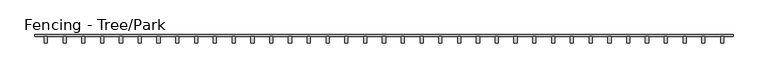
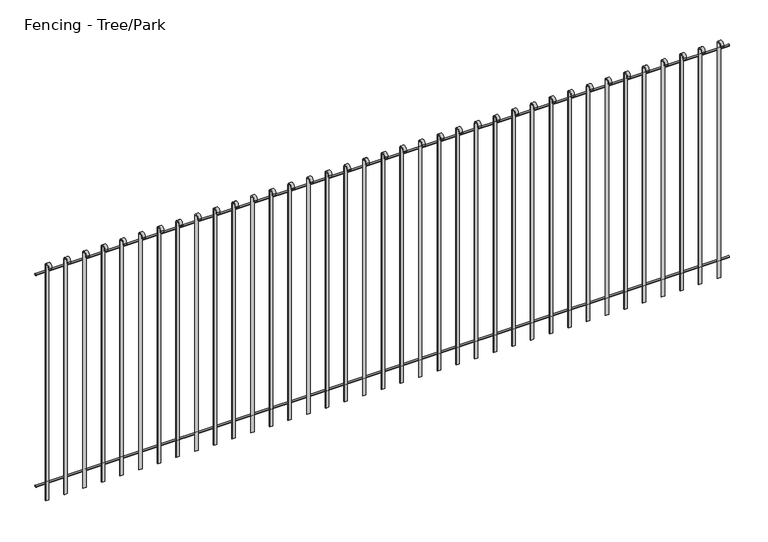
"""IFC4 building model written with IfcOpenShell, lengths in millimetres: railing geometry, Fencing - Tree/Park."""

from ifc_helpers import new_model, si_unit, point, frame, frame_2d, origin, place, context, project, spatial, polyline, circle_curve, trimmed, segment, composite_curve, outline, extrude, source, transform, mapped, element, save


def fencing_tree_park_bd582363(model_context):
    return source(origin(), model_context, "Body", "SweptSolid", [
        extrude(outline(composite_curve([segment(trimmed(circle_curve(frame_2d((-3815.7366721, 1992.5)), 7.5), [point((-3823.2366721, 1992.5))], [point((-3808.2366721, 1992.5))], False, "CARTESIAN"), True, "CONTINUOUS"), segment(trimmed(circle_curve(frame_2d((-3815.7366721, 1992.5)), 7.5), [point((-3808.2366721, 1992.5))], [point((-3823.2366721, 1992.5))], False, "CARTESIAN"), True, "CONTINUOUS")], self_intersect=False)), frame((5143.9077408, 0.0, 0.0), z_axis=(1.0, 0.0, 0.0), x_axis=(0.0, 1.0, 0.0)), (0.0, 0.0, 1.0), 5574.3196625),
        extrude(outline(composite_curve([segment(trimmed(circle_curve(frame_2d((-3815.7366721, 192.5)), 7.5), [point((-3823.2366721, 192.5))], [point((-3808.2366721, 192.5))], False, "CARTESIAN"), True, "CONTINUOUS"), segment(trimmed(circle_curve(frame_2d((-3815.7366721, 192.5)), 7.5), [point((-3808.2366721, 192.5))], [point((-3823.2366721, 192.5))], False, "CARTESIAN"), True, "CONTINUOUS")], self_intersect=False)), frame((5143.9077408, 0.0, 0.0), z_axis=(1.0, 0.0, 0.0), x_axis=(0.0, 1.0, 0.0)), (0.0, 0.0, 1.0), 5574.3196625),
        extrude(outline(composite_curve([segment(polyline([(-3823.2366721, 2050.0), (-3823.2366721, 50.0), (-3828.2366721, 50.0), (-3828.2366721, 2050.0)]), True, "CONTINUOUS"), segment(trimmed(circle_curve(frame_2d((-3848.2366721, 2050.0)), 20.0), [point((-3828.2366721, 2050.0))], [point((-3868.2366721, 2050.0))], True, "CARTESIAN"), True, "CONTINUOUS"), segment(polyline([(-3868.2366721, 2050.0), (-3868.2366721, 2040.0), (-3873.2366721, 2040.0), (-3873.2366721, 2050.0)]), True, "CONTINUOUS"), segment(trimmed(circle_curve(frame_2d((-3848.2366721, 2050.0)), 25.0), [point((-3873.2366721, 2050.0))], [point((-3823.2366721, 2050.0))], False, "CARTESIAN"), True, "CONTINUOUS")], self_intersect=False)), frame((10618.5675721, 0.0, 0.0), z_axis=(1.0, 0.0, 0.0), x_axis=(0.0, 1.0, 0.0)), (0.0, 0.0, 1.0), 25.0),
        extrude(outline(composite_curve([segment(polyline([(-3823.2366721, 2050.0), (-3823.2366721, 50.0), (-3828.2366721, 50.0), (-3828.2366721, 2050.0)]), True, "CONTINUOUS"), segment(trimmed(circle_curve(frame_2d((-3848.2366721, 2050.0)), 20.0), [point((-3828.2366721, 2050.0))], [point((-3868.2366721, 2050.0))], True, "CARTESIAN"), True, "CONTINUOUS"), segment(polyline([(-3868.2366721, 2050.0), (-3868.2366721, 2040.0), (-3873.2366721, 2040.0), (-3873.2366721, 2050.0)]), True, "CONTINUOUS"), segment(trimmed(circle_curve(frame_2d((-3848.2366721, 2050.0)), 25.0), [point((-3873.2366721, 2050.0))], [point((-3823.2366721, 2050.0))], False, "CARTESIAN"), True, "CONTINUOUS")], self_intersect=False)), frame((10468.5675721, 0.0, 0.0), z_axis=(1.0, 0.0, 0.0), x_axis=(0.0, 1.0, 0.0)), (0.0, 0.0, 1.0), 25.0),
        extrude(outline(composite_curve([segment(polyline([(-3823.2366721, 2050.0), (-3823.2366721, 50.0), (-3828.2366721, 50.0), (-3828.2366721, 2050.0)]), True, "CONTINUOUS"), segment(trimmed(circle_curve(frame_2d((-3848.2366721, 2050.0)), 20.0), [point((-3828.2366721, 2050.0))], [point((-3868.2366721, 2050.0))], True, "CARTESIAN"), True, "CONTINUOUS"), segment(polyline([(-3868.2366721, 2050.0), (-3868.2366721, 2040.0), (-3873.2366721, 2040.0), (-3873.2366721, 2050.0)]), True, "CONTINUOUS"), segment(trimmed(circle_curve(frame_2d((-3848.2366721, 2050.0)), 25.0), [point((-3873.2366721, 2050.0))], [point((-3823.2366721, 2050.0))], False, "CARTESIAN"), True, "CONTINUOUS")], self_intersect=False)), frame((10318.5675721, 0.0, 0.0), z_axis=(1.0, 0.0, 0.0), x_axis=(0.0, 1.0, 0.0)), (0.0, 0.0, 1.0), 25.0),
        extrude(outline(composite_curve([segment(polyline([(-3823.2366721, 2050.0), (-3823.2366721, 50.0), (-3828.2366721, 50.0), (-3828.2366721, 2050.0)]), True, "CONTINUOUS"), segment(trimmed(circle_curve(frame_2d((-3848.2366721, 2050.0)), 20.0), [point((-3828.2366721, 2050.0))], [point((-3868.2366721, 2050.0))], True, "CARTESIAN"), True, "CONTINUOUS"), segment(polyline([(-3868.2366721, 2050.0), (-3868.2366721, 2040.0), (-3873.2366721, 2040.0), (-3873.2366721, 2050.0)]), True, "CONTINUOUS"), segment(trimmed(circle_curve(frame_2d((-3848.2366721, 2050.0)), 25.0), [point((-3873.2366721, 2050.0))], [point((-3823.2366721, 2050.0))], False, "CARTESIAN"), True, "CONTINUOUS")], self_intersect=False)), frame((10168.5675721, 0.0, 0.0), z_axis=(1.0, 0.0, 0.0), x_axis=(0.0, 1.0, 0.0)), (0.0, 0.0, 1.0), 25.0),
        extrude(outline(composite_curve([segment(polyline([(-3823.2366721, 2050.0), (-3823.2366721, 50.0), (-3828.2366721, 50.0), (-3828.2366721, 2050.0)]), True, "CONTINUOUS"), segment(trimmed(circle_curve(frame_2d((-3848.2366721, 2050.0)), 20.0), [point((-3828.2366721, 2050.0))], [point((-3868.2366721, 2050.0))], True, "CARTESIAN"), True, "CONTINUOUS"), segment(polyline([(-3868.2366721, 2050.0), (-3868.2366721, 2040.0), (-3873.2366721, 2040.0), (-3873.2366721, 2050.0)]), True, "CONTINUOUS"), segment(trimmed(circle_curve(frame_2d((-3848.2366721, 2050.0)), 25.0), [point((-3873.2366721, 2050.0))], [point((-3823.2366721, 2050.0))], False, "CARTESIAN"), True, "CONTINUOUS")], self_intersect=False)), frame((10018.5675721, 0.0, 0.0), z_axis=(1.0, 0.0, 0.0), x_axis=(0.0, 1.0, 0.0)), (0.0, 0.0, 1.0), 25.0),
        extrude(outline(composite_curve([segment(polyline([(-3823.2366721, 2050.0), (-3823.2366721, 50.0), (-3828.2366721, 50.0), (-3828.2366721, 2050.0)]), True, "CONTINUOUS"), segment(trimmed(circle_curve(frame_2d((-3848.2366721, 2050.0)), 20.0), [point((-3828.2366721, 2050.0))], [point((-3868.2366721, 2050.0))], True, "CARTESIAN"), True, "CONTINUOUS"), segment(polyline([(-3868.2366721, 2050.0), (-3868.2366721, 2040.0), (-3873.2366721, 2040.0), (-3873.2366721, 2050.0)]), True, "CONTINUOUS"), segment(trimmed(circle_curve(frame_2d((-3848.2366721, 2050.0)), 25.0), [point((-3873.2366721, 2050.0))], [point((-3823.2366721, 2050.0))], False, "CARTESIAN"), True, "CONTINUOUS")], self_intersect=False)), frame((9868.5675721, 0.0, 0.0), z_axis=(1.0, 0.0, 0.0), x_axis=(0.0, 1.0, 0.0)), (0.0, 0.0, 1.0), 25.0),
        extrude(outline(composite_curve([segment(polyline([(-3823.2366721, 2050.0), (-3823.2366721, 50.0), (-3828.2366721, 50.0), (-3828.2366721, 2050.0)]), True, "CONTINUOUS"), segment(trimmed(circle_curve(frame_2d((-3848.2366721, 2050.0)), 20.0), [point((-3828.2366721, 2050.0))], [point((-3868.2366721, 2050.0))], True, "CARTESIAN"), True, "CONTINUOUS"), segment(polyline([(-3868.2366721, 2050.0), (-3868.2366721, 2040.0), (-3873.2366721, 2040.0), (-3873.2366721, 2050.0)]), True, "CONTINUOUS"), segment(trimmed(circle_curve(frame_2d((-3848.2366721, 2050.0)), 25.0), [point((-3873.2366721, 2050.0))], [point((-3823.2366721, 2050.0))], False, "CARTESIAN"), True, "CONTINUOUS")], self_intersect=False)), frame((9718.5675721, 0.0, 0.0), z_axis=(1.0, 0.0, 0.0), x_axis=(0.0, 1.0, 0.0)), (0.0, 0.0, 1.0), 25.0),
        extrude(outline(composite_curve([segment(polyline([(-3823.2366721, 2050.0), (-3823.2366721, 50.0), (-3828.2366721, 50.0), (-3828.2366721, 2050.0)]), True, "CONTINUOUS"), segment(trimmed(circle_curve(frame_2d((-3848.2366721, 2050.0)), 20.0), [point((-3828.2366721, 2050.0))], [point((-3868.2366721, 2050.0))], True, "CARTESIAN"), True, "CONTINUOUS"), segment(polyline([(-3868.2366721, 2050.0), (-3868.2366721, 2040.0), (-3873.2366721, 2040.0), (-3873.2366721, 2050.0)]), True, "CONTINUOUS"), segment(trimmed(circle_curve(frame_2d((-3848.2366721, 2050.0)), 25.0), [point((-3873.2366721, 2050.0))], [point((-3823.2366721, 2050.0))], False, "CARTESIAN"), True, "CONTINUOUS")], self_intersect=False)), frame((9568.5675721, 0.0, 0.0), z_axis=(1.0, 0.0, 0.0), x_axis=(0.0, 1.0, 0.0)), (0.0, 0.0, 1.0), 25.0),
        extrude(outline(composite_curve([segment(polyline([(-3823.2366721, 2050.0), (-3823.2366721, 50.0), (-3828.2366721, 50.0), (-3828.2366721, 2050.0)]), True, "CONTINUOUS"), segment(trimmed(circle_curve(frame_2d((-3848.2366721, 2050.0)), 20.0), [point((-3828.2366721, 2050.0))], [point((-3868.2366721, 2050.0))], True, "CARTESIAN"), True, "CONTINUOUS"), segment(polyline([(-3868.2366721, 2050.0), (-3868.2366721, 2040.0), (-3873.2366721, 2040.0), (-3873.2366721, 2050.0)]), True, "CONTINUOUS"), segment(trimmed(circle_curve(frame_2d((-3848.2366721, 2050.0)), 25.0), [point((-3873.2366721, 2050.0))], [point((-3823.2366721, 2050.0))], False, "CARTESIAN"), True, "CONTINUOUS")], self_intersect=False)), frame((9418.5675721, 0.0, 0.0), z_axis=(1.0, 0.0, 0.0), x_axis=(0.0, 1.0, 0.0)), (0.0, 0.0, 1.0), 25.0),
        extrude(outline(composite_curve([segment(polyline([(-3823.2366721, 2050.0), (-3823.2366721, 50.0), (-3828.2366721, 50.0), (-3828.2366721, 2050.0)]), True, "CONTINUOUS"), segment(trimmed(circle_curve(frame_2d((-3848.2366721, 2050.0)), 20.0), [point((-3828.2366721, 2050.0))], [point((-3868.2366721, 2050.0))], True, "CARTESIAN"), True, "CONTINUOUS"), segment(polyline([(-3868.2366721, 2050.0), (-3868.2366721, 2040.0), (-3873.2366721, 2040.0), (-3873.2366721, 2050.0)]), True, "CONTINUOUS"), segment(trimmed(circle_curve(frame_2d((-3848.2366721, 2050.0)), 25.0), [point((-3873.2366721, 2050.0))], [point((-3823.2366721, 2050.0))], False, "CARTESIAN"), True, "CONTINUOUS")], self_intersect=False)), frame((9268.5675721, 0.0, 0.0), z_axis=(1.0, 0.0, 0.0), x_axis=(0.0, 1.0, 0.0)), (0.0, 0.0, 1.0), 25.0),
        extrude(outline(composite_curve([segment(polyline([(-3823.2366721, 2050.0), (-3823.2366721, 50.0), (-3828.2366721, 50.0), (-3828.2366721, 2050.0)]), True, "CONTINUOUS"), segment(trimmed(circle_curve(frame_2d((-3848.2366721, 2050.0)), 20.0), [point((-3828.2366721, 2050.0))], [point((-3868.2366721, 2050.0))], True, "CARTESIAN"), True, "CONTINUOUS"), segment(polyline([(-3868.2366721, 2050.0), (-3868.2366721, 2040.0), (-3873.2366721, 2040.0), (-3873.2366721, 2050.0)]), True, "CONTINUOUS"), segment(trimmed(circle_curve(frame_2d((-3848.2366721, 2050.0)), 25.0), [point((-3873.2366721, 2050.0))], [point((-3823.2366721, 2050.0))], False, "CARTESIAN"), True, "CONTINUOUS")], self_intersect=False)), frame((9118.5675721, 0.0, 0.0), z_axis=(1.0, 0.0, 0.0), x_axis=(0.0, 1.0, 0.0)), (0.0, 0.0, 1.0), 25.0),
        extrude(outline(composite_curve([segment(polyline([(-3823.2366721, 2050.0), (-3823.2366721, 50.0), (-3828.2366721, 50.0), (-3828.2366721, 2050.0)]), True, "CONTINUOUS"), segment(trimmed(circle_curve(frame_2d((-3848.2366721, 2050.0)), 20.0), [point((-3828.2366721, 2050.0))], [point((-3868.2366721, 2050.0))], True, "CARTESIAN"), True, "CONTINUOUS"), segment(polyline([(-3868.2366721, 2050.0), (-3868.2366721, 2040.0), (-3873.2366721, 2040.0), (-3873.2366721, 2050.0)]), True, "CONTINUOUS"), segment(trimmed(circle_curve(frame_2d((-3848.2366721, 2050.0)), 25.0), [point((-3873.2366721, 2050.0))], [point((-3823.2366721, 2050.0))], False, "CARTESIAN"), True, "CONTINUOUS")], self_intersect=False)), frame((8968.5675721, 0.0, 0.0), z_axis=(1.0, 0.0, 0.0), x_axis=(0.0, 1.0, 0.0)), (0.0, 0.0, 1.0), 25.0),
        extrude(outline(composite_curve([segment(polyline([(-3823.2366721, 2050.0), (-3823.2366721, 50.0), (-3828.2366721, 50.0), (-3828.2366721, 2050.0)]), True, "CONTINUOUS"), segment(trimmed(circle_curve(frame_2d((-3848.2366721, 2050.0)), 20.0), [point((-3828.2366721, 2050.0))], [point((-3868.2366721, 2050.0))], True, "CARTESIAN"), True, "CONTINUOUS"), segment(polyline([(-3868.2366721, 2050.0), (-3868.2366721, 2040.0), (-3873.2366721, 2040.0), (-3873.2366721, 2050.0)]), True, "CONTINUOUS"), segment(trimmed(circle_curve(frame_2d((-3848.2366721, 2050.0)), 25.0), [point((-3873.2366721, 2050.0))], [point((-3823.2366721, 2050.0))], False, "CARTESIAN"), True, "CONTINUOUS")], self_intersect=False)), frame((8818.5675721, 0.0, 0.0), z_axis=(1.0, 0.0, 0.0), x_axis=(0.0, 1.0, 0.0)), (0.0, 0.0, 1.0), 25.0),
        extrude(outline(composite_curve([segment(polyline([(-3823.2366721, 2050.0), (-3823.2366721, 50.0), (-3828.2366721, 50.0), (-3828.2366721, 2050.0)]), True, "CONTINUOUS"), segment(trimmed(circle_curve(frame_2d((-3848.2366721, 2050.0)), 20.0), [point((-3828.2366721, 2050.0))], [point((-3868.2366721, 2050.0))], True, "CARTESIAN"), True, "CONTINUOUS"), segment(polyline([(-3868.2366721, 2050.0), (-3868.2366721, 2040.0), (-3873.2366721, 2040.0), (-3873.2366721, 2050.0)]), True, "CONTINUOUS"), segment(trimmed(circle_curve(frame_2d((-3848.2366721, 2050.0)), 25.0), [point((-3873.2366721, 2050.0))], [point((-3823.2366721, 2050.0))], False, "CARTESIAN"), True, "CONTINUOUS")], self_intersect=False)), frame((8668.5675721, 0.0, 0.0), z_axis=(1.0, 0.0, 0.0), x_axis=(0.0, 1.0, 0.0)), (0.0, 0.0, 1.0), 25.0),
        extrude(outline(composite_curve([segment(polyline([(-3823.2366721, 2050.0), (-3823.2366721, 50.0), (-3828.2366721, 50.0), (-3828.2366721, 2050.0)]), True, "CONTINUOUS"), segment(trimmed(circle_curve(frame_2d((-3848.2366721, 2050.0)), 20.0), [point((-3828.2366721, 2050.0))], [point((-3868.2366721, 2050.0))], True, "CARTESIAN"), True, "CONTINUOUS"), segment(polyline([(-3868.2366721, 2050.0), (-3868.2366721, 2040.0), (-3873.2366721, 2040.0), (-3873.2366721, 2050.0)]), True, "CONTINUOUS"), segment(trimmed(circle_curve(frame_2d((-3848.2366721, 2050.0)), 25.0), [point((-3873.2366721, 2050.0))], [point((-3823.2366721, 2050.0))], False, "CARTESIAN"), True, "CONTINUOUS")], self_intersect=False)), frame((8518.5675721, 0.0, 0.0), z_axis=(1.0, 0.0, 0.0), x_axis=(0.0, 1.0, 0.0)), (0.0, 0.0, 1.0), 25.0),
        extrude(outline(composite_curve([segment(polyline([(-3823.2366721, 2050.0), (-3823.2366721, 50.0), (-3828.2366721, 50.0), (-3828.2366721, 2050.0)]), True, "CONTINUOUS"), segment(trimmed(circle_curve(frame_2d((-3848.2366721, 2050.0)), 20.0), [point((-3828.2366721, 2050.0))], [point((-3868.2366721, 2050.0))], True, "CARTESIAN"), True, "CONTINUOUS"), segment(polyline([(-3868.2366721, 2050.0), (-3868.2366721, 2040.0), (-3873.2366721, 2040.0), (-3873.2366721, 2050.0)]), True, "CONTINUOUS"), segment(trimmed(circle_curve(frame_2d((-3848.2366721, 2050.0)), 25.0), [point((-3873.2366721, 2050.0))], [point((-3823.2366721, 2050.0))], False, "CARTESIAN"), True, "CONTINUOUS")], self_intersect=False)), frame((8368.5675721, 0.0, 0.0), z_axis=(1.0, 0.0, 0.0), x_axis=(0.0, 1.0, 0.0)), (0.0, 0.0, 1.0), 25.0),
        extrude(outline(composite_curve([segment(polyline([(-3823.2366721, 2050.0), (-3823.2366721, 50.0), (-3828.2366721, 50.0), (-3828.2366721, 2050.0)]), True, "CONTINUOUS"), segment(trimmed(circle_curve(frame_2d((-3848.2366721, 2050.0)), 20.0), [point((-3828.2366721, 2050.0))], [point((-3868.2366721, 2050.0))], True, "CARTESIAN"), True, "CONTINUOUS"), segment(polyline([(-3868.2366721, 2050.0), (-3868.2366721, 2040.0), (-3873.2366721, 2040.0), (-3873.2366721, 2050.0)]), True, "CONTINUOUS"), segment(trimmed(circle_curve(frame_2d((-3848.2366721, 2050.0)), 25.0), [point((-3873.2366721, 2050.0))], [point((-3823.2366721, 2050.0))], False, "CARTESIAN"), True, "CONTINUOUS")], self_intersect=False)), frame((8218.5675721, 0.0, 0.0), z_axis=(1.0, 0.0, 0.0), x_axis=(0.0, 1.0, 0.0)), (0.0, 0.0, 1.0), 25.0),
        extrude(outline(composite_curve([segment(polyline([(-3823.2366721, 2050.0), (-3823.2366721, 50.0), (-3828.2366721, 50.0), (-3828.2366721, 2050.0)]), True, "CONTINUOUS"), segment(trimmed(circle_curve(frame_2d((-3848.2366721, 2050.0)), 20.0), [point((-3828.2366721, 2050.0))], [point((-3868.2366721, 2050.0))], True, "CARTESIAN"), True, "CONTINUOUS"), segment(polyline([(-3868.2366721, 2050.0), (-3868.2366721, 2040.0), (-3873.2366721, 2040.0), (-3873.2366721, 2050.0)]), True, "CONTINUOUS"), segment(trimmed(circle_curve(frame_2d((-3848.2366721, 2050.0)), 25.0), [point((-3873.2366721, 2050.0))], [point((-3823.2366721, 2050.0))], False, "CARTESIAN"), True, "CONTINUOUS")], self_intersect=False)), frame((8068.5675721, 0.0, 0.0), z_axis=(1.0, 0.0, 0.0), x_axis=(0.0, 1.0, 0.0)), (0.0, 0.0, 1.0), 25.0),
        extrude(outline(composite_curve([segment(polyline([(-3823.2366721, 2050.0), (-3823.2366721, 50.0), (-3828.2366721, 50.0), (-3828.2366721, 2050.0)]), True, "CONTINUOUS"), segment(trimmed(circle_curve(frame_2d((-3848.2366721, 2050.0)), 20.0), [point((-3828.2366721, 2050.0))], [point((-3868.2366721, 2050.0))], True, "CARTESIAN"), True, "CONTINUOUS"), segment(polyline([(-3868.2366721, 2050.0), (-3868.2366721, 2040.0), (-3873.2366721, 2040.0), (-3873.2366721, 2050.0)]), True, "CONTINUOUS"), segment(trimmed(circle_curve(frame_2d((-3848.2366721, 2050.0)), 25.0), [point((-3873.2366721, 2050.0))], [point((-3823.2366721, 2050.0))], False, "CARTESIAN"), True, "CONTINUOUS")], self_intersect=False)), frame((7918.5675721, 0.0, 0.0), z_axis=(1.0, 0.0, 0.0), x_axis=(0.0, 1.0, 0.0)), (0.0, 0.0, 1.0), 25.0),
        extrude(outline(composite_curve([segment(polyline([(-3823.2366721, 2050.0), (-3823.2366721, 50.0), (-3828.2366721, 50.0), (-3828.2366721, 2050.0)]), True, "CONTINUOUS"), segment(trimmed(circle_curve(frame_2d((-3848.2366721, 2050.0)), 20.0), [point((-3828.2366721, 2050.0))], [point((-3868.2366721, 2050.0))], True, "CARTESIAN"), True, "CONTINUOUS"), segment(polyline([(-3868.2366721, 2050.0), (-3868.2366721, 2040.0), (-3873.2366721, 2040.0), (-3873.2366721, 2050.0)]), True, "CONTINUOUS"), segment(trimmed(circle_curve(frame_2d((-3848.2366721, 2050.0)), 25.0), [point((-3873.2366721, 2050.0))], [point((-3823.2366721, 2050.0))], False, "CARTESIAN"), True, "CONTINUOUS")], self_intersect=False)), frame((7768.5675721, 0.0, 0.0), z_axis=(1.0, 0.0, 0.0), x_axis=(0.0, 1.0, 0.0)), (0.0, 0.0, 1.0), 25.0),
        extrude(outline(composite_curve([segment(polyline([(-3823.2366721, 2050.0), (-3823.2366721, 50.0), (-3828.2366721, 50.0), (-3828.2366721, 2050.0)]), True, "CONTINUOUS"), segment(trimmed(circle_curve(frame_2d((-3848.2366721, 2050.0)), 20.0), [point((-3828.2366721, 2050.0))], [point((-3868.2366721, 2050.0))], True, "CARTESIAN"), True, "CONTINUOUS"), segment(polyline([(-3868.2366721, 2050.0), (-3868.2366721, 2040.0), (-3873.2366721, 2040.0), (-3873.2366721, 2050.0)]), True, "CONTINUOUS"), segment(trimmed(circle_curve(frame_2d((-3848.2366721, 2050.0)), 25.0), [point((-3873.2366721, 2050.0))], [point((-3823.2366721, 2050.0))], False, "CARTESIAN"), True, "CONTINUOUS")], self_intersect=False)), frame((7618.5675721, 0.0, 0.0), z_axis=(1.0, 0.0, 0.0), x_axis=(0.0, 1.0, 0.0)), (0.0, 0.0, 1.0), 25.0),
        extrude(outline(composite_curve([segment(polyline([(-3823.2366721, 2050.0), (-3823.2366721, 50.0), (-3828.2366721, 50.0), (-3828.2366721, 2050.0)]), True, "CONTINUOUS"), segment(trimmed(circle_curve(frame_2d((-3848.2366721, 2050.0)), 20.0), [point((-3828.2366721, 2050.0))], [point((-3868.2366721, 2050.0))], True, "CARTESIAN"), True, "CONTINUOUS"), segment(polyline([(-3868.2366721, 2050.0), (-3868.2366721, 2040.0), (-3873.2366721, 2040.0), (-3873.2366721, 2050.0)]), True, "CONTINUOUS"), segment(trimmed(circle_curve(frame_2d((-3848.2366721, 2050.0)), 25.0), [point((-3873.2366721, 2050.0))], [point((-3823.2366721, 2050.0))], False, "CARTESIAN"), True, "CONTINUOUS")], self_intersect=False)), frame((7468.5675721, 0.0, 0.0), z_axis=(1.0, 0.0, 0.0), x_axis=(0.0, 1.0, 0.0)), (0.0, 0.0, 1.0), 25.0),
        extrude(outline(composite_curve([segment(polyline([(-3823.2366721, 2050.0), (-3823.2366721, 50.0), (-3828.2366721, 50.0), (-3828.2366721, 2050.0)]), True, "CONTINUOUS"), segment(trimmed(circle_curve(frame_2d((-3848.2366721, 2050.0)), 20.0), [point((-3828.2366721, 2050.0))], [point((-3868.2366721, 2050.0))], True, "CARTESIAN"), True, "CONTINUOUS"), segment(polyline([(-3868.2366721, 2050.0), (-3868.2366721, 2040.0), (-3873.2366721, 2040.0), (-3873.2366721, 2050.0)]), True, "CONTINUOUS"), segment(trimmed(circle_curve(frame_2d((-3848.2366721, 2050.0)), 25.0), [point((-3873.2366721, 2050.0))], [point((-3823.2366721, 2050.0))], False, "CARTESIAN"), True, "CONTINUOUS")], self_intersect=False)), frame((7318.5675721, 0.0, 0.0), z_axis=(1.0, 0.0, 0.0), x_axis=(0.0, 1.0, 0.0)), (0.0, 0.0, 1.0), 25.0),
        extrude(outline(composite_curve([segment(polyline([(-3823.2366721, 2050.0), (-3823.2366721, 50.0), (-3828.2366721, 50.0), (-3828.2366721, 2050.0)]), True, "CONTINUOUS"), segment(trimmed(circle_curve(frame_2d((-3848.2366721, 2050.0)), 20.0), [point((-3828.2366721, 2050.0))], [point((-3868.2366721, 2050.0))], True, "CARTESIAN"), True, "CONTINUOUS"), segment(polyline([(-3868.2366721, 2050.0), (-3868.2366721, 2040.0), (-3873.2366721, 2040.0), (-3873.2366721, 2050.0)]), True, "CONTINUOUS"), segment(trimmed(circle_curve(frame_2d((-3848.2366721, 2050.0)), 25.0), [point((-3873.2366721, 2050.0))], [point((-3823.2366721, 2050.0))], False, "CARTESIAN"), True, "CONTINUOUS")], self_intersect=False)), frame((7168.5675721, 0.0, 0.0), z_axis=(1.0, 0.0, 0.0), x_axis=(0.0, 1.0, 0.0)), (0.0, 0.0, 1.0), 25.0),
        extrude(outline(composite_curve([segment(polyline([(-3823.2366721, 2050.0), (-3823.2366721, 50.0), (-3828.2366721, 50.0), (-3828.2366721, 2050.0)]), True, "CONTINUOUS"), segment(trimmed(circle_curve(frame_2d((-3848.2366721, 2050.0)), 20.0), [point((-3828.2366721, 2050.0))], [point((-3868.2366721, 2050.0))], True, "CARTESIAN"), True, "CONTINUOUS"), segment(polyline([(-3868.2366721, 2050.0), (-3868.2366721, 2040.0), (-3873.2366721, 2040.0), (-3873.2366721, 2050.0)]), True, "CONTINUOUS"), segment(trimmed(circle_curve(frame_2d((-3848.2366721, 2050.0)), 25.0), [point((-3873.2366721, 2050.0))], [point((-3823.2366721, 2050.0))], False, "CARTESIAN"), True, "CONTINUOUS")], self_intersect=False)), frame((7018.5675721, 0.0, 0.0), z_axis=(1.0, 0.0, 0.0), x_axis=(0.0, 1.0, 0.0)), (0.0, 0.0, 1.0), 25.0),
        extrude(outline(composite_curve([segment(polyline([(-3823.2366721, 2050.0), (-3823.2366721, 50.0), (-3828.2366721, 50.0), (-3828.2366721, 2050.0)]), True, "CONTINUOUS"), segment(trimmed(circle_curve(frame_2d((-3848.2366721, 2050.0)), 20.0), [point((-3828.2366721, 2050.0))], [point((-3868.2366721, 2050.0))], True, "CARTESIAN"), True, "CONTINUOUS"), segment(polyline([(-3868.2366721, 2050.0), (-3868.2366721, 2040.0), (-3873.2366721, 2040.0), (-3873.2366721, 2050.0)]), True, "CONTINUOUS"), segment(trimmed(circle_curve(frame_2d((-3848.2366721, 2050.0)), 25.0), [point((-3873.2366721, 2050.0))], [point((-3823.2366721, 2050.0))], False, "CARTESIAN"), True, "CONTINUOUS")], self_intersect=False)), frame((6868.5675721, 0.0, 0.0), z_axis=(1.0, 0.0, 0.0), x_axis=(0.0, 1.0, 0.0)), (0.0, 0.0, 1.0), 25.0),
        extrude(outline(composite_curve([segment(polyline([(-3823.2366721, 2050.0), (-3823.2366721, 50.0), (-3828.2366721, 50.0), (-3828.2366721, 2050.0)]), True, "CONTINUOUS"), segment(trimmed(circle_curve(frame_2d((-3848.2366721, 2050.0)), 20.0), [point((-3828.2366721, 2050.0))], [point((-3868.2366721, 2050.0))], True, "CARTESIAN"), True, "CONTINUOUS"), segment(polyline([(-3868.2366721, 2050.0), (-3868.2366721, 2040.0), (-3873.2366721, 2040.0), (-3873.2366721, 2050.0)]), True, "CONTINUOUS"), segment(trimmed(circle_curve(frame_2d((-3848.2366721, 2050.0)), 25.0), [point((-3873.2366721, 2050.0))], [point((-3823.2366721, 2050.0))], False, "CARTESIAN"), True, "CONTINUOUS")], self_intersect=False)), frame((6718.5675721, 0.0, 0.0), z_axis=(1.0, 0.0, 0.0), x_axis=(0.0, 1.0, 0.0)), (0.0, 0.0, 1.0), 25.0),
        extrude(outline(composite_curve([segment(polyline([(-3823.2366721, 2050.0), (-3823.2366721, 50.0), (-3828.2366721, 50.0), (-3828.2366721, 2050.0)]), True, "CONTINUOUS"), segment(trimmed(circle_curve(frame_2d((-3848.2366721, 2050.0)), 20.0), [point((-3828.2366721, 2050.0))], [point((-3868.2366721, 2050.0))], True, "CARTESIAN"), True, "CONTINUOUS"), segment(polyline([(-3868.2366721, 2050.0), (-3868.2366721, 2040.0), (-3873.2366721, 2040.0), (-3873.2366721, 2050.0)]), True, "CONTINUOUS"), segment(trimmed(circle_curve(frame_2d((-3848.2366721, 2050.0)), 25.0), [point((-3873.2366721, 2050.0))], [point((-3823.2366721, 2050.0))], False, "CARTESIAN"), True, "CONTINUOUS")], self_intersect=False)), frame((6568.5675721, 0.0, 0.0), z_axis=(1.0, 0.0, 0.0), x_axis=(0.0, 1.0, 0.0)), (0.0, 0.0, 1.0), 25.0),
        extrude(outline(composite_curve([segment(polyline([(-3823.2366721, 2050.0), (-3823.2366721, 50.0), (-3828.2366721, 50.0), (-3828.2366721, 2050.0)]), True, "CONTINUOUS"), segment(trimmed(circle_curve(frame_2d((-3848.2366721, 2050.0)), 20.0), [point((-3828.2366721, 2050.0))], [point((-3868.2366721, 2050.0))], True, "CARTESIAN"), True, "CONTINUOUS"), segment(polyline([(-3868.2366721, 2050.0), (-3868.2366721, 2040.0), (-3873.2366721, 2040.0), (-3873.2366721, 2050.0)]), True, "CONTINUOUS"), segment(trimmed(circle_curve(frame_2d((-3848.2366721, 2050.0)), 25.0), [point((-3873.2366721, 2050.0))], [point((-3823.2366721, 2050.0))], False, "CARTESIAN"), True, "CONTINUOUS")], self_intersect=False)), frame((6418.5675721, 0.0, 0.0), z_axis=(1.0, 0.0, 0.0), x_axis=(0.0, 1.0, 0.0)), (0.0, 0.0, 1.0), 25.0),
        extrude(outline(composite_curve([segment(polyline([(-3823.2366721, 2050.0), (-3823.2366721, 50.0), (-3828.2366721, 50.0), (-3828.2366721, 2050.0)]), True, "CONTINUOUS"), segment(trimmed(circle_curve(frame_2d((-3848.2366721, 2050.0)), 20.0), [point((-3828.2366721, 2050.0))], [point((-3868.2366721, 2050.0))], True, "CARTESIAN"), True, "CONTINUOUS"), segment(polyline([(-3868.2366721, 2050.0), (-3868.2366721, 2040.0), (-3873.2366721, 2040.0), (-3873.2366721, 2050.0)]), True, "CONTINUOUS"), segment(trimmed(circle_curve(frame_2d((-3848.2366721, 2050.0)), 25.0), [point((-3873.2366721, 2050.0))], [point((-3823.2366721, 2050.0))], False, "CARTESIAN"), True, "CONTINUOUS")], self_intersect=False)), frame((6268.5675721, 0.0, 0.0), z_axis=(1.0, 0.0, 0.0), x_axis=(0.0, 1.0, 0.0)), (0.0, 0.0, 1.0), 25.0),
        extrude(outline(composite_curve([segment(polyline([(-3823.2366721, 2050.0), (-3823.2366721, 50.0), (-3828.2366721, 50.0), (-3828.2366721, 2050.0)]), True, "CONTINUOUS"), segment(trimmed(circle_curve(frame_2d((-3848.2366721, 2050.0)), 20.0), [point((-3828.2366721, 2050.0))], [point((-3868.2366721, 2050.0))], True, "CARTESIAN"), True, "CONTINUOUS"), segment(polyline([(-3868.2366721, 2050.0), (-3868.2366721, 2040.0), (-3873.2366721, 2040.0), (-3873.2366721, 2050.0)]), True, "CONTINUOUS"), segment(trimmed(circle_curve(frame_2d((-3848.2366721, 2050.0)), 25.0), [point((-3873.2366721, 2050.0))], [point((-3823.2366721, 2050.0))], False, "CARTESIAN"), True, "CONTINUOUS")], self_intersect=False)), frame((6118.5675721, 0.0, 0.0), z_axis=(1.0, 0.0, 0.0), x_axis=(0.0, 1.0, 0.0)), (0.0, 0.0, 1.0), 25.0),
        extrude(outline(composite_curve([segment(polyline([(-3823.2366721, 2050.0), (-3823.2366721, 50.0), (-3828.2366721, 50.0), (-3828.2366721, 2050.0)]), True, "CONTINUOUS"), segment(trimmed(circle_curve(frame_2d((-3848.2366721, 2050.0)), 20.0), [point((-3828.2366721, 2050.0))], [point((-3868.2366721, 2050.0))], True, "CARTESIAN"), True, "CONTINUOUS"), segment(polyline([(-3868.2366721, 2050.0), (-3868.2366721, 2040.0), (-3873.2366721, 2040.0), (-3873.2366721, 2050.0)]), True, "CONTINUOUS"), segment(trimmed(circle_curve(frame_2d((-3848.2366721, 2050.0)), 25.0), [point((-3873.2366721, 2050.0))], [point((-3823.2366721, 2050.0))], False, "CARTESIAN"), True, "CONTINUOUS")], self_intersect=False)), frame((5968.5675721, 0.0, 0.0), z_axis=(1.0, 0.0, 0.0), x_axis=(0.0, 1.0, 0.0)), (0.0, 0.0, 1.0), 25.0),
        extrude(outline(composite_curve([segment(polyline([(-3823.2366721, 2050.0), (-3823.2366721, 50.0), (-3828.2366721, 50.0), (-3828.2366721, 2050.0)]), True, "CONTINUOUS"), segment(trimmed(circle_curve(frame_2d((-3848.2366721, 2050.0)), 20.0), [point((-3828.2366721, 2050.0))], [point((-3868.2366721, 2050.0))], True, "CARTESIAN"), True, "CONTINUOUS"), segment(polyline([(-3868.2366721, 2050.0), (-3868.2366721, 2040.0), (-3873.2366721, 2040.0), (-3873.2366721, 2050.0)]), True, "CONTINUOUS"), segment(trimmed(circle_curve(frame_2d((-3848.2366721, 2050.0)), 25.0), [point((-3873.2366721, 2050.0))], [point((-3823.2366721, 2050.0))], False, "CARTESIAN"), True, "CONTINUOUS")], self_intersect=False)), frame((5818.5675721, 0.0, 0.0), z_axis=(1.0, 0.0, 0.0), x_axis=(0.0, 1.0, 0.0)), (0.0, 0.0, 1.0), 25.0),
        extrude(outline(composite_curve([segment(polyline([(-3823.2366721, 2050.0), (-3823.2366721, 50.0), (-3828.2366721, 50.0), (-3828.2366721, 2050.0)]), True, "CONTINUOUS"), segment(trimmed(circle_curve(frame_2d((-3848.2366721, 2050.0)), 20.0), [point((-3828.2366721, 2050.0))], [point((-3868.2366721, 2050.0))], True, "CARTESIAN"), True, "CONTINUOUS"), segment(polyline([(-3868.2366721, 2050.0), (-3868.2366721, 2040.0), (-3873.2366721, 2040.0), (-3873.2366721, 2050.0)]), True, "CONTINUOUS"), segment(trimmed(circle_curve(frame_2d((-3848.2366721, 2050.0)), 25.0), [point((-3873.2366721, 2050.0))], [point((-3823.2366721, 2050.0))], False, "CARTESIAN"), True, "CONTINUOUS")], self_intersect=False)), frame((5668.5675721, 0.0, 0.0), z_axis=(1.0, 0.0, 0.0), x_axis=(0.0, 1.0, 0.0)), (0.0, 0.0, 1.0), 25.0),
        extrude(outline(composite_curve([segment(polyline([(-3823.2366721, 2050.0), (-3823.2366721, 50.0), (-3828.2366721, 50.0), (-3828.2366721, 2050.0)]), True, "CONTINUOUS"), segment(trimmed(circle_curve(frame_2d((-3848.2366721, 2050.0)), 20.0), [point((-3828.2366721, 2050.0))], [point((-3868.2366721, 2050.0))], True, "CARTESIAN"), True, "CONTINUOUS"), segment(polyline([(-3868.2366721, 2050.0), (-3868.2366721, 2040.0), (-3873.2366721, 2040.0), (-3873.2366721, 2050.0)]), True, "CONTINUOUS"), segment(trimmed(circle_curve(frame_2d((-3848.2366721, 2050.0)), 25.0), [point((-3873.2366721, 2050.0))], [point((-3823.2366721, 2050.0))], False, "CARTESIAN"), True, "CONTINUOUS")], self_intersect=False)), frame((5518.5675721, 0.0, 0.0), z_axis=(1.0, 0.0, 0.0), x_axis=(0.0, 1.0, 0.0)), (0.0, 0.0, 1.0), 25.0),
        extrude(outline(composite_curve([segment(polyline([(-3823.2366721, 2050.0), (-3823.2366721, 50.0), (-3828.2366721, 50.0), (-3828.2366721, 2050.0)]), True, "CONTINUOUS"), segment(trimmed(circle_curve(frame_2d((-3848.2366721, 2050.0)), 20.0), [point((-3828.2366721, 2050.0))], [point((-3868.2366721, 2050.0))], True, "CARTESIAN"), True, "CONTINUOUS"), segment(polyline([(-3868.2366721, 2050.0), (-3868.2366721, 2040.0), (-3873.2366721, 2040.0), (-3873.2366721, 2050.0)]), True, "CONTINUOUS"), segment(trimmed(circle_curve(frame_2d((-3848.2366721, 2050.0)), 25.0), [point((-3873.2366721, 2050.0))], [point((-3823.2366721, 2050.0))], False, "CARTESIAN"), True, "CONTINUOUS")], self_intersect=False)), frame((5368.5675721, 0.0, 0.0), z_axis=(1.0, 0.0, 0.0), x_axis=(0.0, 1.0, 0.0)), (0.0, 0.0, 1.0), 25.0),
        extrude(outline(composite_curve([segment(polyline([(-3823.2366721, 2050.0), (-3823.2366721, 50.0), (-3828.2366721, 50.0), (-3828.2366721, 2050.0)]), True, "CONTINUOUS"), segment(trimmed(circle_curve(frame_2d((-3848.2366721, 2050.0)), 20.0), [point((-3828.2366721, 2050.0))], [point((-3868.2366721, 2050.0))], True, "CARTESIAN"), True, "CONTINUOUS"), segment(polyline([(-3868.2366721, 2050.0), (-3868.2366721, 2040.0), (-3873.2366721, 2040.0), (-3873.2366721, 2050.0)]), True, "CONTINUOUS"), segment(trimmed(circle_curve(frame_2d((-3848.2366721, 2050.0)), 25.0), [point((-3873.2366721, 2050.0))], [point((-3823.2366721, 2050.0))], False, "CARTESIAN"), True, "CONTINUOUS")], self_intersect=False)), frame((5218.5675721, 0.0, 0.0), z_axis=(1.0, 0.0, 0.0), x_axis=(0.0, 1.0, 0.0)), (0.0, 0.0, 1.0), 25.0),
    ])


if __name__ == "__main__":
    model = new_model("IFC4")
    model_context = context("Model", 3, world=origin())
    ifc_project = project(units=[si_unit("LENGTHUNIT", "METRE", prefix="MILLI")], contexts=[model_context])
    site = spatial("IfcSite", under=ifc_project)
    building = spatial("IfcBuilding", under=site)
    placement = place(None, origin())
    fencing_tree_park_shape = fencing_tree_park_bd582363(model_context)
    element("IfcRailing", 1, ObjectType="Fencing - Tree/Park", at=placement, inside=building, context=model_context, shape_type="MappedRepresentation", body=[
        mapped(fencing_tree_park_shape, transform((0.0, 0.0, 0.0), x_axis=(1.0, 0.0, 0.0), y_axis=(0.0, 1.0, 0.0), z_axis=(0.0, 0.0, 1.0))),
    ])
    save(model, "model.ifc")
